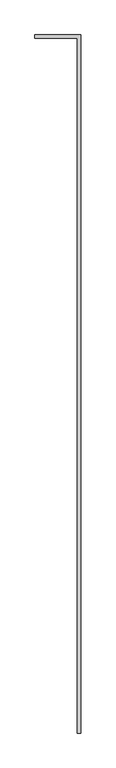
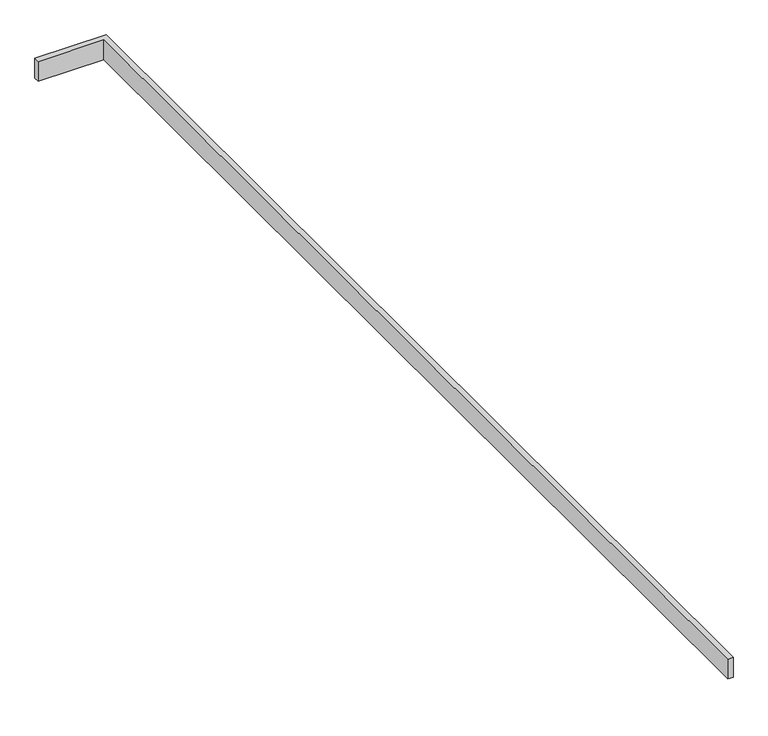
"""IFC4 building model written with IfcOpenShell, lengths in millimetres: proxy geometry."""

from ifc_helpers import new_model, si_unit, frame, origin, place, context, project, spatial, polyline, outline, extrude, source, transform, mapped, element, save


def specialty_equipment_a8f60694(model_context):
    return source(origin(), model_context, "Body", "SweptSolid", [
        extrude(outline(polyline([(4346.1801897, 1925.5005269), (4346.1801897, -1979.4994731), (4326.1801897, -1979.4994731), (4326.1801897, 1905.5005269), (4090.3801897, 1905.5005269), (4090.3801897, 1925.5005269), (4346.1801897, 1925.5005269)])), frame((0.0, 0.0, 1270.0), z_axis=(0.0, 0.0, 1.0), x_axis=(1.0, 0.0, 0.0)), (0.0, 0.0, 1.0), 75.0),
    ])


if __name__ == "__main__":
    model = new_model("IFC4")
    model_context = context("Model", 3, world=origin())
    ifc_project = project(units=[si_unit("LENGTHUNIT", "METRE", prefix="MILLI")], contexts=[model_context])
    site = spatial("IfcSite", under=ifc_project)
    building = spatial("IfcBuilding", under=site)
    placement = place(None, origin())
    specialty_equipment_shape = specialty_equipment_a8f60694(model_context)
    element("IfcBuildingElementProxy", 1, Name="Specialty Equipment", at=placement, inside=building, context=model_context, shape_type="MappedRepresentation", body=[
        mapped(specialty_equipment_shape, transform((0.0, 0.0, 0.0), x_axis=(1.0, 0.0, 0.0), y_axis=(0.0, 1.0, 0.0), z_axis=(0.0, 0.0, 1.0))),
    ])
    save(model, "model.ifc")
